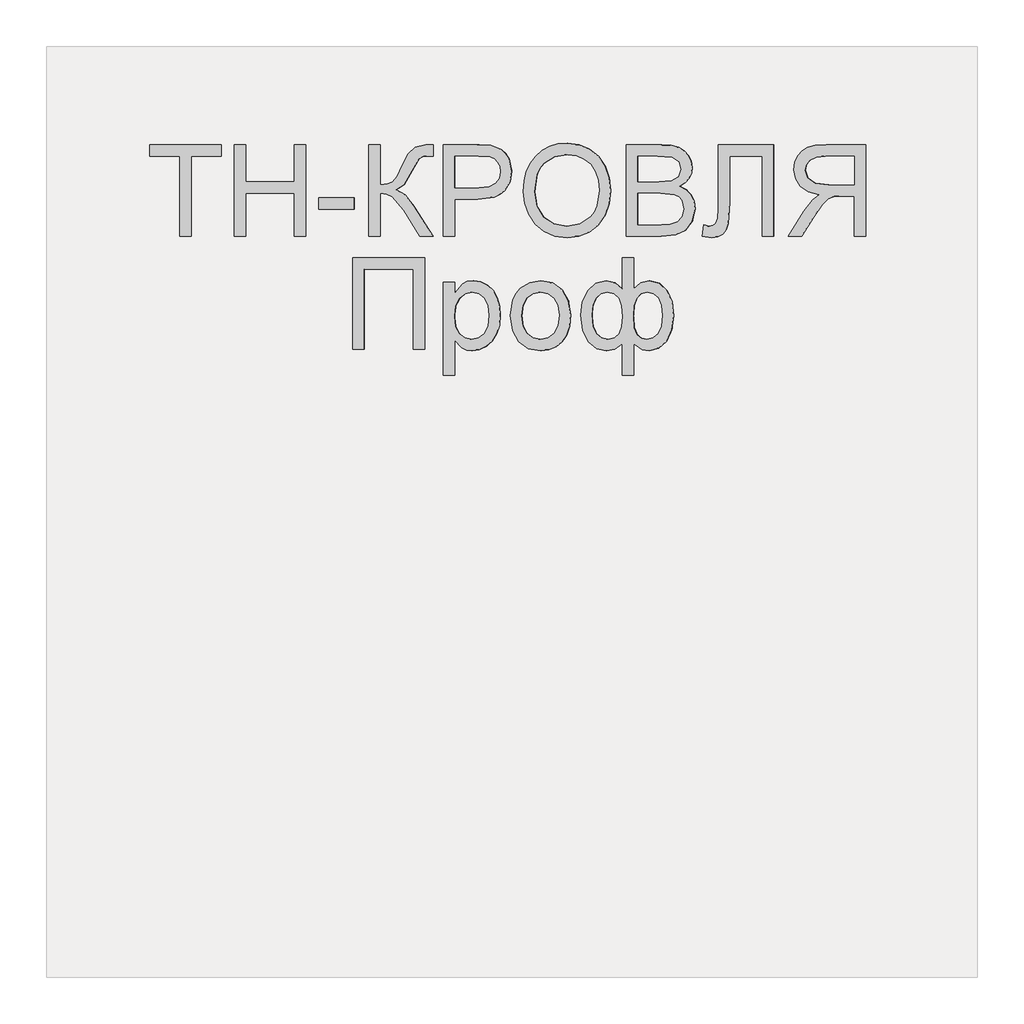
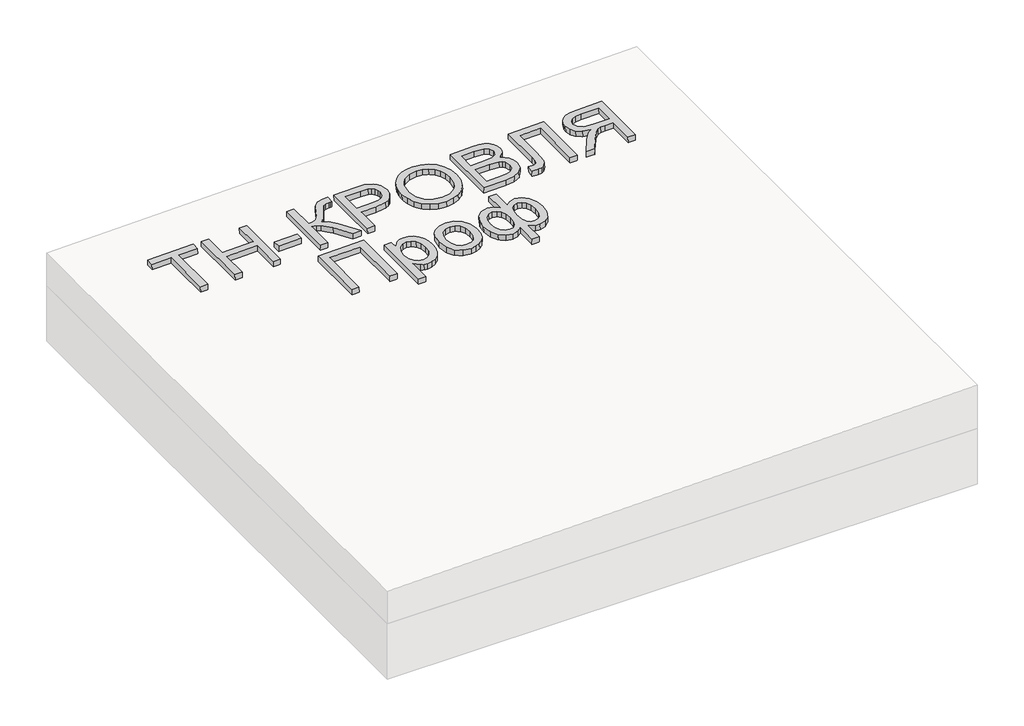
# One storey, part 3 of 3: 1 proxy.
"""IFC4 building model written with IfcOpenShell, lengths in millimetres."""

import ifcopenshell
import ifcopenshell.guid

model = None  # the IFC model being written
_history = None  # IfcOwnerHistory: only IFC2X3 demands one
_inside = {}  # id of a spatial element -> (the spatial element, [elements in it])
_under = {}  # id of a project, library or spatial element -> (it, [spatial elements below it])
_declared = {}  # id of a project -> (the project, [libraries it declares])
_typed = {}  # id of a type object -> (the type object, [elements of that type])
_made_of = {}  # id of a material, layer set ... -> (it, [elements and type objects made of it])


def new_model(schema):
    """Start an empty IFC model of exactly this schema.

    Asked for "IFC4X3", IfcOpenShell would pick the latest addendum, in which some entities
    have other attributes; the version numbers below select the first issue.
    IFC2X3 requires an IfcOwnerHistory on every rooted entity: one is made here for all.
    """
    global model, _history
    if schema == "IFC4X3":
        model = ifcopenshell.file(schema_version=(4, 3, 0, 0))
    else:
        model = ifcopenshell.file(schema=schema)
    _inside.clear()
    _under.clear()
    _declared.clear()
    _typed.clear()
    _made_of.clear()
    _history = None
    if model.schema == "IFC2X3":
        org = make("IfcOrganization", Name="unknown")
        user = make(
            "IfcPersonAndOrganization",
            ThePerson=make("IfcPerson", FamilyName="unknown"),
            TheOrganization=org,
        )
        app = make(
            "IfcApplication",
            ApplicationDeveloper=org,
            Version="unknown",
            ApplicationFullName="unknown",
            ApplicationIdentifier="unknown",
        )
        _history = make(
            "IfcOwnerHistory",
            OwningUser=user,
            OwningApplication=app,
            ChangeAction="ADDED",
            CreationDate=0,
        )
    return model


def make(cls, **values):
    """One entity of the class cls with the attributes given. An attribute that is None is left unset."""
    return model.create_entity(
        cls, **{name: value for name, value in values.items() if value is not None}
    )


def rooted(cls, **values):
    """An entity with a GlobalId (a new one), such as an element, a storey or a relation."""
    return make(cls, GlobalId=ifcopenshell.guid.new(), OwnerHistory=_history, **values)


def si_unit(unit_type, name, prefix=None):
    """IfcSIUnit, for example si_unit("LENGTHUNIT", "METRE", prefix="MILLI")."""
    return make("IfcSIUnit", UnitType=unit_type, Prefix=prefix, Name=name)


def assignment(units):
    """IfcUnitAssignment: the units of a project."""
    return None if units is None else make("IfcUnitAssignment", Units=units)


def point(xyz):
    """IfcCartesianPoint."""
    return None if xyz is None else make("IfcCartesianPoint", Coordinates=xyz)


def direction(xyz):
    """IfcDirection."""
    return None if xyz is None else make("IfcDirection", DirectionRatios=xyz)


def frame(location, z_axis=None, x_axis=None):
    """IfcAxis2Placement3D, a coordinate frame: its origin and axes. An axis left out is left unset."""
    return make(
        "IfcAxis2Placement3D",
        Location=point(location),
        Axis=direction(z_axis),
        RefDirection=direction(x_axis),
    )


def origin():
    """The frame at (0, 0, 0) with its axes left unset."""
    return frame((0.0, 0.0, 0.0))


def place(relative_to, where):
    """IfcLocalPlacement: puts the frame where relative to a parent placement (None: the world)."""
    return make(
        "IfcLocalPlacement", PlacementRelTo=relative_to, RelativePlacement=where
    )


def context(
    kind, dimensions, precision=None, world=None, true_north=None, identifier=None
):
    """IfcGeometricRepresentationContext, for example the 3D "Model" context."""
    return make(
        "IfcGeometricRepresentationContext",
        ContextIdentifier=identifier,
        ContextType=kind,
        CoordinateSpaceDimension=dimensions,
        Precision=precision,
        WorldCoordinateSystem=world,
        TrueNorth=true_north,
    )


def project(units=None, contexts=None):
    """IfcProject with its units and contexts."""
    return rooted(
        "IfcProject",
        Name="project",
        RepresentationContexts=contexts,
        UnitsInContext=assignment(units),
    )


def spatial(cls, under=None, at=None, **own):
    """A site, building, storey or space (cls), placed at a placement, below another one or the project."""
    s = rooted(cls, ObjectPlacement=at, **own)
    if under is not None:
        _under.setdefault(under.id(), (under, []))[1].append(s)
    return s


def polyline(points):
    """IfcPolyline through the points."""
    return make("IfcPolyline", Points=[point(p) for p in points])


def outline(outer, holes=None, kind="AREA"):
    """IfcArbitraryClosedProfileDef: a profile drawn as a closed curve; with holes, ...WithVoids."""
    if holes is None:
        return make("IfcArbitraryClosedProfileDef", ProfileType=kind, OuterCurve=outer)
    return make(
        "IfcArbitraryProfileDefWithVoids",
        ProfileType=kind,
        OuterCurve=outer,
        InnerCurves=holes,
    )


def extrude(swept, where, along, depth):
    """IfcExtrudedAreaSolid: the profile swept, set in the frame where, extruded along a direction by depth."""
    return make(
        "IfcExtrudedAreaSolid",
        SweptArea=swept,
        Position=where,
        ExtrudedDirection=direction(along),
        Depth=depth,
    )


def shape(context_of_items, identifier, shape_type, items):
    """IfcShapeRepresentation: the items that make up one representation, for example the "Body"."""
    return make(
        "IfcShapeRepresentation",
        ContextOfItems=context_of_items,
        RepresentationIdentifier=identifier,
        RepresentationType=shape_type,
        Items=items,
    )


def made_of(thing, what):
    """Note that an element or type object is made of a material, layer set ...; save() writes the relation."""
    if what is not None:
        _made_of.setdefault(what.id(), (what, []))[1].append(thing)
    return thing


def element(
    cls,
    number,
    at=None,
    inside=None,
    cuts=None,
    type_object=None,
    material=None,
    context=None,
    identifier="Body",
    shape_type=None,
    held_by="IfcProductDefinitionShape",
    body=None,
    shapes=None,
    **own,
):
    """One element of the class cls, such as IfcWall. Its Tag is "e" and its number.

    at: its placement. inside: the storey or other place that contains it. cuts: it is an
    opening in that element (IfcRelVoidsElement). A single representation is given by context,
    identifier, shape_type and body (its items); several are given by shapes. held_by: the class
    of the entity that holds the representations. save() writes the other relations.
    """
    e = rooted(cls, Tag="e%d" % number, ObjectPlacement=at, **own)
    if body is not None:
        shapes = [shape(context, identifier, shape_type, body)]
    if shapes is not None:
        e.Representation = make(held_by, Representations=shapes)
    if inside is not None:
        _inside.setdefault(inside.id(), (inside, []))[1].append(e)
    if cuts is not None:
        rooted(
            "IfcRelVoidsElement", RelatingBuildingElement=cuts, RelatedOpeningElement=e
        )
    if type_object is not None:
        _typed.setdefault(type_object.id(), (type_object, []))[1].append(e)
    return made_of(e, material)


def aggregate(whole, parts):
    """IfcRelAggregates: a whole, such as a stair, and the parts it consists of."""
    return rooted("IfcRelAggregates", RelatingObject=whole, RelatedObjects=parts)


def save(model, path):
    """Write the relations noted so far, then the file.

    IfcRelAggregates (storeys below a building ...), IfcRelContainedInSpatialStructure (elements
    in a storey), IfcRelDefinesByType, IfcRelAssociatesMaterial and IfcRelDeclares: one each for
    every whole, place, type object, material and project.
    """
    for whole, parts in _under.values():
        aggregate(whole, parts)
    for where, things in _inside.values():
        rooted(
            "IfcRelContainedInSpatialStructure",
            RelatedElements=things,
            RelatingStructure=where,
        )
    for kind, things in _typed.values():
        rooted("IfcRelDefinesByType", RelatedObjects=things, RelatingType=kind)
    for what, things in _made_of.values():
        rooted("IfcRelAssociatesMaterial", RelatedObjects=things, RelatingMaterial=what)
    for by, libraries in _declared.values():
        rooted("IfcRelDeclares", RelatingContext=by, RelatedDefinitions=libraries)
    model.write(path)


model = new_model("IFC4")

# Units and contexts
model_context = context("Model", 3, world=origin())
ifc_project = project(units=[si_unit("LENGTHUNIT", "METRE", prefix="MILLI")], contexts=[model_context])

# Site, building, storey
site = spatial("IfcSite", under=ifc_project)
building = spatial("IfcBuilding", under=site)
storey = spatial("IfcBuildingStorey", under=building, Elevation=0.0)

# Proxy
placement = place(None, origin())
element("IfcBuildingElementProxy", 1, Name="Generic Models", at=placement, inside=storey, context=model_context, shape_type="SweptSolid", body=[
    extrude(outline(polyline([(24.6153847, 0.0), (24.6153847, -172.3076923), (89.2307693, -172.3076923), (89.2307693, -196.9230769), (-64.6153846, -196.9230769), (-64.6153846, -172.3076923), (0.0, -172.3076923), (0.0, 0.0), (24.6153847, 0.0)])), frame((43017.4980776, -4710.2316754, 122.2220496), z_axis=(-0.01999600119956399, 0.0, 0.9998000599800078), x_axis=(-0.9998000599800078, 0.0, -0.01999600119956399)), (0.0, 0.0, 1.0), 20.0),
    extrude(outline(polyline([(24.6153846, 0.0), (24.6153846, -196.9230769), (0.0, -196.9230769), (0.0, -116.9230769), (-104.6153846, -116.9230769), (-104.6153846, -196.9230769), (-129.2307692, -196.9230769), (-129.2307692, 0.0), (-104.6153846, 0.0), (-104.6153846, -92.3076923), (0.0, -92.3076923), (0.0, 0.0), (24.6153846, 0.0)])), frame((43134.3977769, -4710.2316754, 124.5600436), z_axis=(-0.01999600119956399, 0.0, 0.9998000599800078), x_axis=(-0.9998000599800078, 0.0, -0.01999600119956399)), (0.0, 0.0, 1.0), 20.0),
    extrude(outline(polyline([(76.9230769, 0.0), (76.9230769, -24.6153846), (0.0, -24.6153846), (0.0, 0.0), (76.9230769, 0.0)])), frame((43368.1971755, -4651.7701369, 129.2360316), z_axis=(-0.01999600119956399, 0.0, 0.9998000599800079), x_axis=(-0.9998000599800079, 0.0, -0.01999600119956399)), (0.0, 0.0, 1.0), 20.0),
    extrude(outline(polyline([(196.9230769, 0.0), (196.9230769, -24.6153846), (110.7692308, -24.6153846), (112.3978365, -41.280048), (117.2836538, -52.1394231), (128.7800481, -60.9194711), (150.2403846, -71.3461539), (177.7644231, -84.9278846), (191.3942308, -100.3125), (196.9230769, -122.3076923), (196.6346154, -138.4615384), (172.0192308, -138.4615384), (172.1634615, -133.0288461), (172.3076923, -127.5961538), (170.8293269, -116.3221153), (166.3942308, -108.3653846), (141.0576923, -93.75), (110.1923077, -76.3221153), (100.0, -59.326923), (88.8701923, -78.3293269), (65.6730769, -97.0673076), (0.0, -138.4615384), (0.0, -109.9038462), (55.4807692, -74.9038462), (84.4471154, -50.2644231), (90.3425481, -38.8882211), (92.3076923, -24.6153846), (0.0, -24.6153846), (0.0, 0.0), (196.9230769, 0.0)])), frame((43398.9602543, -4710.2316754, 129.8512932), z_axis=(-0.019996001199563986, 0.0, 0.9998000599800078), x_axis=(0.0, 1.0, 0.0)), (0.0, 0.0, 1.0), 20.0),
    extrude(outline(polyline([(24.6153846, 0.0), (24.6153846, -196.9230769), (-48.3653846, -196.9230769), (-77.7884615, -195.0480769), (-101.7067307, -185.8413461), (-110.4026442, -177.6802885), (-117.2115385, -166.8028846), (-123.0769231, -139.9519231), (-119.1165866, -116.7427885), (-107.2355769, -97.4038461), (-97.7208533, -89.7896635), (-85.0180288, -84.3509615), (-50.0480769, -80.0), (0.0, -80.0), (0.0, 0.0), (24.6153846, 0.0)]), holes=[polyline([(0.0, -104.6153846), (-51.4903846, -104.6153846), (-73.3173077, -106.875), (-87.7403846, -113.6538461), (-95.78125, -124.53125), (-98.4615385, -139.0865385), (-96.8810096, -150.1442308), (-92.1394231, -159.4711538), (-84.8257212, -166.4903846), (-75.5288461, -170.625), (-50.9134615, -172.3076923), (0.0, -172.3076923), (0.0, -104.6153846)])]), frame((43583.5387269, -4710.2316754, 133.5428626), z_axis=(-0.01999600119956399, 0.0, 0.9998000599800078), x_axis=(-0.9998000599800078, 0.0, -0.01999600119956399)), (0.0, 0.0, 1.0), 20.0),
    extrude(outline(polyline([(25.3428445, 0.0), (48.1160484, -4.1938573), (67.8912361, -11.3545773), (84.6684074, -21.4821599), (98.4475626, -34.5766053), (108.9049086, -49.9093781), (115.7166524, -66.7519434), (118.8827941, -85.104301), (118.4033337, -104.9664512), (112.3116986, -130.2760814), (100.0658902, -152.2136343), (82.4868293, -169.6009171), (60.3954366, -181.2597367), (34.812491, -187.0380147), (6.7587717, -186.7836729), (-21.0136463, -180.6528552), (-44.9882084, -168.8870737), (-63.9421568, -152.1247694), (-76.6527338, -131.0043835), (-83.1347827, -107.1750807), (-83.4031474, -82.286026), (-77.165962, -56.5935492), (-64.600884, -34.5586151), (-46.7404789, -17.2511252), (-24.6173127, -5.740981), (0.0, 0.0), (25.3428445, 0.0)]), holes=[polyline([(22.3721769, -24.4366544), (-8.7890431, -25.9094147), (-33.7562618, -37.9787802), (-50.9832576, -58.3865326), (-58.9238091, -84.8744541), (-57.0179297, -112.8610054), (-44.5775814, -136.6179285), (-34.5460353, -146.3414541), (-22.1589797, -153.8699216), (9.6816594, -162.341683), (31.570013, -162.6815635), (50.9840871, -158.5364567), (67.4340475, -150.0149317), (80.43006, -137.2255581), (89.4380632, -121.0520253), (93.9239955, -102.3780231), (92.2935561, -75.5530127), (81.0850249, -51.6494364), (71.4163804, -41.5325654), (58.4080243, -33.6248113), (22.3721769, -24.4366544)])]), frame((43734.0134427, -4639.5525889, 136.5523569), z_axis=(-0.019996001199563993, 0.0, 0.9998000599800079), x_axis=(-0.11095588221386112, 0.9938228553011974, -0.002219117644273191)), (0.0, 0.0, 1.0), 20.0),
    extrude(outline(polyline([(74.5673077, 0.0), (74.5673077, -196.9230769), (-0.5769231, -196.9230769), (-21.2439904, -195.4747596), (-37.3798077, -191.1298077), (-49.7475961, -183.7800481), (-59.110577, -173.3173077), (-65.0060096, -161.0096154), (-66.9711539, -148.125), (-65.3185097, -136.2680288), (-60.3605769, -125.1201923), (-52.0612981, -115.3665865), (-40.3846154, -107.6923077), (-54.3329327, -100.4086538), (-64.6394231, -89.3269231), (-71.0036058, -75.1802885), (-73.125, -58.7019231), (-67.3317308, -32.2355769), (-52.9807693, -13.3894231), (-31.5625, -3.3894231), (0.0, 0.0), (74.5673077, 0.0)]), holes=[polyline([(49.9519231, -116.9230769), (5.0, -116.9230769), (-21.25, -119.0384615), (-37.0432692, -128.1490385), (-42.3557692, -144.1826923), (-37.4038461, -160.2403846), (-23.2211538, -169.7355769), (8.4134615, -172.3076923), (49.9519231, -172.3076923), (49.9519231, -116.9230769)]), polyline([(49.9519231, -24.6153846), (-0.5288461, -24.6153846), (-18.798077, -25.5769231), (-34.2548077, -30.9375), (-44.4951924, -41.875), (-48.5096154, -58.4615385), (-43.798077, -77.5961538), (-37.626202, -84.5132211), (-28.5336538, -89.0144231), (1.875, -92.3076923), (49.9519231, -92.3076923), (49.9519231, -24.6153846)])]), frame((44027.2480708, -4710.2316754, 142.4170495), z_axis=(-0.019996001199563986, 0.0, 0.9998000599800078), x_axis=(-0.9998000599800078, 0.0, -0.019996001199563986)), (0.0, 0.0, 1.0), 20.0),
    extrude(outline(polyline([(137.6442308, 0.0), (137.6442308, -120.0), (-59.2788461, -120.0), (-59.2788461, -95.3846154), (113.0288462, -95.3846154), (113.0288462, -24.6153847), (12.548077, -24.6153847), (-32.2836538, -21.7548078), (-44.951923, -17.3257212), (-54.4471153, -9.7596154), (-60.3786057, 0.6009615), (-62.3557692, 13.4134615), (-59.2788461, 33.8461538), (-34.6634615, 30.7692307), (-37.7403846, 18.9903845), (-36.0877403, 10.6670673), (-31.1298076, 4.7355769), (-20.0420673, 1.1838942), (0.0, 0.0), (137.6442308, 0.0)])), frame((44149.5793762, -4650.9528293, 144.8636756), z_axis=(-0.019996001199563986, 0.0, 0.9998000599800078), x_axis=(0.0, 1.0, 0.0)), (0.0, 0.0, 1.0), 20.0),
    extrude(outline(polyline([(24.6153847, -110.7692308), (0.0, -110.7692308), (0.0, -24.6153847), (-29.7115384, -24.6153847), (-43.9903845, -25.4807693), (-55.6971154, -30.1682693), (-68.7019231, -42.9326923), (-87.2115384, -69.9519231), (-112.8365384, -110.7692308), (-141.4423077, -110.7692308), (-108.6057692, -57.4038462), (-88.6538462, -32.0673077), (-74.6634615, -21.5384616), (-98.9122596, -15.0120193), (-115.889423, -3.2211539), (-125.8954326, 12.8605769), (-129.2307692, 32.2596153), (-127.2175481, 47.8545673), (-121.1778846, 62.0432692), (-111.7668269, 73.4855769), (-99.639423, 80.8413461), (-83.046875, 84.8257211), (-60.2403846, 86.1538461), (24.6153847, 86.1538461), (24.6153847, -110.7692308)]), holes=[polyline([(0.0, 0.0), (0.0, 61.5384615), (-61.2980768, 61.5384615), (-80.7752403, 59.4110577), (-94.2067307, 53.0288461), (-102.0132211, 43.3533653), (-104.6153846, 31.3461538), (-99.1586538, 14.639423), (-83.1971153, 3.4855769), (-55.0961538, 0.0), (0.0, 0.0)])]), frame((44441.8286245, -4599.4624446, 150.7086606), z_axis=(-0.019996001199563986, 0.0, 0.9998000599800078), x_axis=(0.9998000599800078, 0.0, 0.019996001199563986)), (0.0, 0.0, 1.0), 20.0),
    extrude(outline(polyline([(196.9230769, 0.0), (196.9230769, -153.8461539), (0.0, -153.8461539), (0.0, -129.2307693), (172.3076923, -129.2307693), (172.3076923, -24.6153847), (0.0, -24.6153847), (0.0, 0.0), (196.9230769, 0.0)])), frame((43365.1208676, -4953.3085985, 129.1745054), z_axis=(-0.019996001199563986, 0.0, 0.9998000599800078), x_axis=(0.0, 1.0, 0.0)), (0.0, 0.0, 1.0), 20.0),
    extrude(outline(polyline([(24.6153846, 0.0), (24.6153846, -200.0), (0.0, -200.0), (0.0, -175.8653846), (-17.0192307, -196.2740385), (-27.5, -201.376202), (-40.0, -203.0769231), (-56.6466346, -200.6971154), (-71.2019231, -193.5576923), (-83.0528846, -182.0913462), (-91.5865384, -166.7307693), (-96.7427885, -148.59375), (-98.4615385, -128.798077), (-96.5204327, -107.7463943), (-90.6971154, -88.9182693), (-81.1778846, -73.2692308), (-68.1490384, -61.7548077), (-52.9747596, -54.6694712), (-37.0192307, -52.3076923), (-25.703125, -53.8882212), (-15.6009616, -58.6298077), (0.0, -74.6153846), (0.0, 0.0), (24.6153846, 0.0)]), holes=[polyline([(0.0, -126.5384616), (-2.6622596, -104.4711539), (-10.6490385, -89.0384616), (-22.4338942, -79.9519231), (-36.4903846, -76.923077), (-50.7752404, -80.0600962), (-62.8605769, -89.4711539), (-71.0997596, -105.46875), (-73.8461538, -128.3653846), (-71.1658654, -150.3125), (-63.125, -165.9615385), (-51.3581731, -175.3365385), (-37.5, -178.4615385), (-23.5877403, -175.1382212), (-11.3701923, -165.1682693), (-2.842548, -148.8641827), (0.0, -126.5384616)])]), frame((43583.5387269, -5008.6932139, 133.5428626), z_axis=(-0.01999600119956399, 0.0, 0.9998000599800078), x_axis=(-0.9998000599800078, 0.0, -0.01999600119956399)), (0.0, 0.0, 1.0), 20.0),
    extrude(outline(polyline([(32.567166, 0.0), (66.3756558, -10.0548094), (78.8838583, -18.5052063), (88.4613657, -29.2375981), (97.6493261, -50.4330578), (98.3741514, -74.3884679), (90.0009116, -99.3354124), (72.6856708, -117.7907263), (47.8333955, -128.0195982), (16.8490523, -128.2872164), (-7.510343, -122.9013502), (-25.441205, -114.3768481), (-38.1401425, -102.7240242), (-46.8037641, -87.9531932), (-51.1686244, -71.2292642), (-50.9712784, -53.7171463), (-42.5730516, -28.4581811), (-25.3146823, -10.019263), (0.0, 0.0), (32.567166, 0.0)]), holes=[polyline([(29.2398792, -24.3895189), (6.7820621, -24.156784), (-10.1111098, -30.4456966), (-21.2858449, -41.8821547), (-26.588351, -57.0920559), (-25.5887935, -73.1014407), (-17.8837037, -87.1268409), (-3.1255027, -97.7967093), (19.0333893, -103.7394986), (40.8507691, -103.8653881), (57.5370536, -97.4932374), (68.7109647, -86.0627322), (73.9912241, -71.0135582), (73.0313183, -54.9368589), (65.4188174, -40.9000065), (50.9046835, -30.2639203), (29.2398792, -24.3895189)])]), frame((43707.9789856, -4913.2605216, 136.0316678), z_axis=(-0.01999600119956399, 0.0, 0.9998000599800079), x_axis=(-0.13707829158736495, 0.9905564223164067, -0.0027415658317423226)), (0.0, 0.0, 1.0), 20.0),
    extrude(outline(polyline([(66.201923, 0.0), (66.201923, -24.6153846), (0.0, -24.6153846), (12.764423, -40.2644231), (16.9711538, -58.6057692), (11.6225961, -80.1502403), (-4.423077, -96.7067307), (-28.5817308, -107.2536058), (-58.2692308, -110.7692308), (-88.8641827, -106.983173), (-112.9567308, -95.625), (-128.5877404, -78.6418269), (-133.798077, -57.9807692), (-131.3942308, -42.9326923), (-118.2692308, -24.6153846), (-186.1057693, -24.6153846), (-186.1057693, 0.0), (-118.2692308, 0.0), (-129.9038462, 15.7211539), (-133.798077, 34.3269231), (-128.8221154, 54.9519231), (-113.8942308, 72.7884615), (-89.6995193, 85.1201923), (-56.923077, 89.2307692), (-28.0649039, 85.5108173), (-4.2788462, 74.3509615), (11.6586538, 56.9050481), (16.9711538, 34.3269231), (12.764423, 15.2644231), (0.0, 0.0), (66.201923, 0.0)]), holes=[polyline([(-58.8461539, -24.4711539), (-83.7680289, -26.5204327), (-98.9182693, -32.6682692), (-106.6165866, -41.9050481), (-109.1826923, -53.2211538), (-106.0276443, -65.8713942), (-96.5625, -76.5144231), (-80.4507212, -83.7439904), (-57.3557693, -86.1538461), (-35.4567308, -83.9302884), (-19.9519231, -77.2596154), (-10.7211539, -67.1033653), (-7.6442308, -54.423077), (-10.8473558, -41.3641827), (-20.4567308, -31.9951923), (-36.4603366, -26.3521635), (-58.8461539, -24.4711539)]), polyline([(-56.3942308, 64.6153846), (-80.5408654, 62.1514424), (-96.8269231, 54.7596154), (-106.09375, 43.7139424), (-109.1826923, 30.2884616), (-106.1117789, 16.9290866), (-96.8990385, 7.4278846), (-81.5444712, 1.7487981), (-60.048077, -0.1442307), (-37.1213943, 1.844952), (-20.7451923, 7.8125), (-10.9194712, 17.7944711), (-7.6442308, 31.8269231), (-10.8413462, 45.0), (-20.4326923, 55.4807692), (-35.8173077, 62.3317308), (-56.3942308, 64.6153846)])]), frame((43943.4667485, -4822.5874446, 140.7414231), z_axis=(-0.019996001199563986, 0.0, 0.9998000599800078), x_axis=(0.0, 1.0, 0.0)), (0.0, 0.0, 1.0), 20.0),
])

save(model, "model.ifc")
